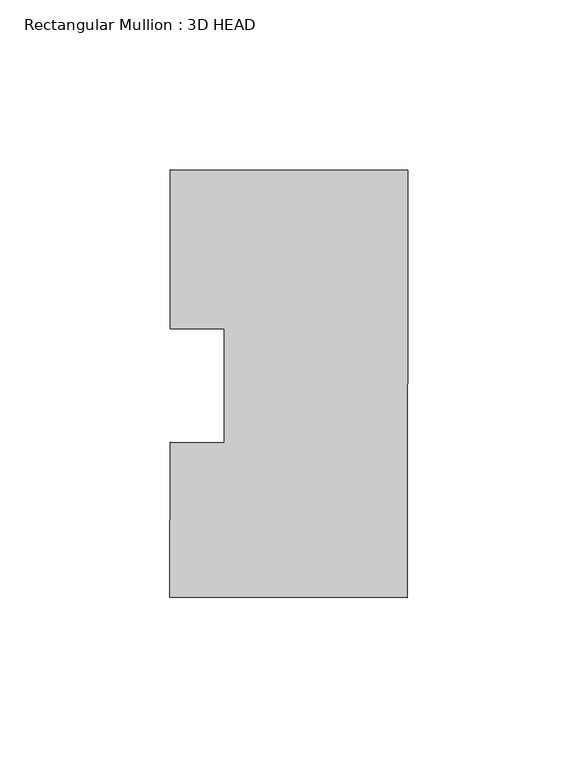
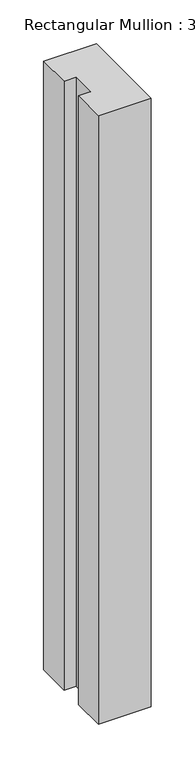
"""IFC4 building model written with IfcOpenShell, lengths in millimetres: member geometry, Rectangular Mullion : 3D HEAD."""

from ifc_helpers import new_model, si_unit, frame, origin, place, context, project, spatial, polyline, outline, extrude, source, transform, mapped, element, save


def rectangular_mullion_3d_head_56d086e4(model_context):
    return source(origin(), model_context, "Body", "SweptSolid", [
        extrude(outline(polyline([(-69.9433395, -16.6773033), (-54.0683503, -16.6957868), (-54.0294719, 16.6957868), (-69.9044612, 16.7142704), (-69.8499527, 63.5301323), (0.0, 63.4488048), (-0.1464486, -62.3319099), (-69.9964013, -62.2505824), (-69.9433395, -16.6773033)])), frame((0.0, 0.0, -850.9), z_axis=(0.0, 0.0, 1.0), x_axis=(1.0, 0.0, 0.0)), (0.0, 0.0, 1.0), 850.9),
    ])


if __name__ == "__main__":
    model = new_model("IFC4")
    model_context = context("Model", 3, world=origin())
    ifc_project = project(units=[si_unit("LENGTHUNIT", "METRE", prefix="MILLI")], contexts=[model_context])
    site = spatial("IfcSite", under=ifc_project)
    building = spatial("IfcBuilding", under=site)
    placement = place(None, origin())
    rectangular_mullion_3d_head_shape = rectangular_mullion_3d_head_56d086e4(model_context)
    element("IfcMember", 1, ObjectType="Rectangular Mullion : 3D HEAD", at=placement, inside=building, context=model_context, shape_type="MappedRepresentation", body=[
        mapped(rectangular_mullion_3d_head_shape, transform((0.0, 0.0, 0.0), x_axis=(1.0, 0.0, 0.0), y_axis=(0.0, 1.0, 0.0), z_axis=(0.0, 0.0, 1.0))),
    ])
    save(model, "model.ifc")
